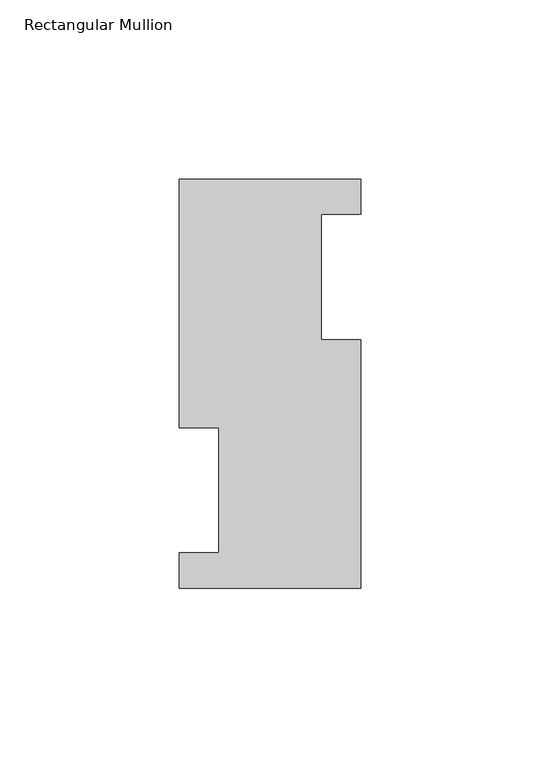
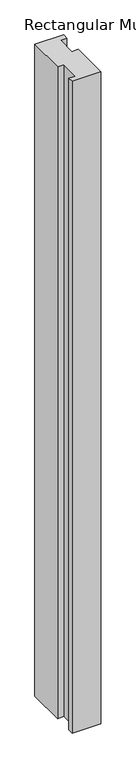
"""IFC4 building model written with IfcOpenShell, lengths in millimetres: member geometry, Rectangular Mullion."""

from ifc_helpers import new_model, si_unit, frame, origin, place, context, project, spatial, polyline, outline, extrude, source, transform, mapped, element, save


def rectangular_mullion_55b64d99(model_context):
    return source(origin(), model_context, "Body", "SweptSolid", [
        extrude(outline(polyline([(-25.4, 114.0729875), (25.4, 114.0729875), (25.4, 104.1669875), (14.2875, 104.1669875), (14.2875, 69.2419875), (25.4, 69.2419875), (25.4, -0.2270125), (-25.4, -0.2270125), (-25.4, 9.6789875), (-14.2875, 9.6789875), (-14.2875, 44.6039875), (-25.4, 44.6039875), (-25.4, 114.0729875)])), frame((0.0, 0.0, -1219.2), z_axis=(0.0, 0.0, 1.0), x_axis=(1.0, 0.0, 0.0)), (0.0, 0.0, 1.0), 1219.2),
    ])


if __name__ == "__main__":
    model = new_model("IFC4")
    model_context = context("Model", 3, world=origin())
    ifc_project = project(units=[si_unit("LENGTHUNIT", "METRE", prefix="MILLI")], contexts=[model_context])
    site = spatial("IfcSite", under=ifc_project)
    building = spatial("IfcBuilding", under=site)
    placement = place(None, origin())
    rectangular_mullion_shape = rectangular_mullion_55b64d99(model_context)
    element("IfcMember", 1, ObjectType="Rectangular Mullion", at=placement, inside=building, context=model_context, shape_type="MappedRepresentation", body=[
        mapped(rectangular_mullion_shape, transform((0.0, 0.0, 0.0), x_axis=(1.0, 0.0, 0.0), y_axis=(0.0, 1.0, 0.0), z_axis=(0.0, 0.0, 1.0))),
    ])
    save(model, "model.ifc")
